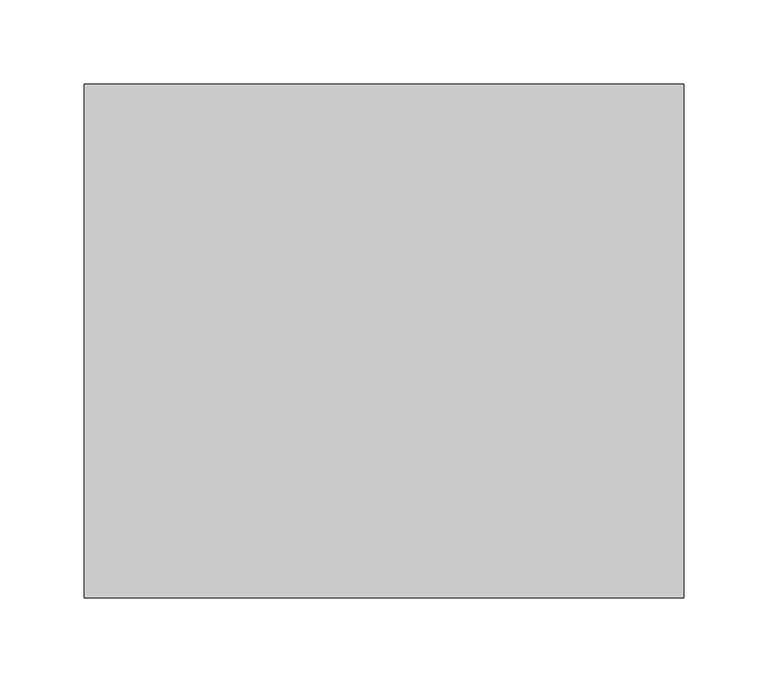
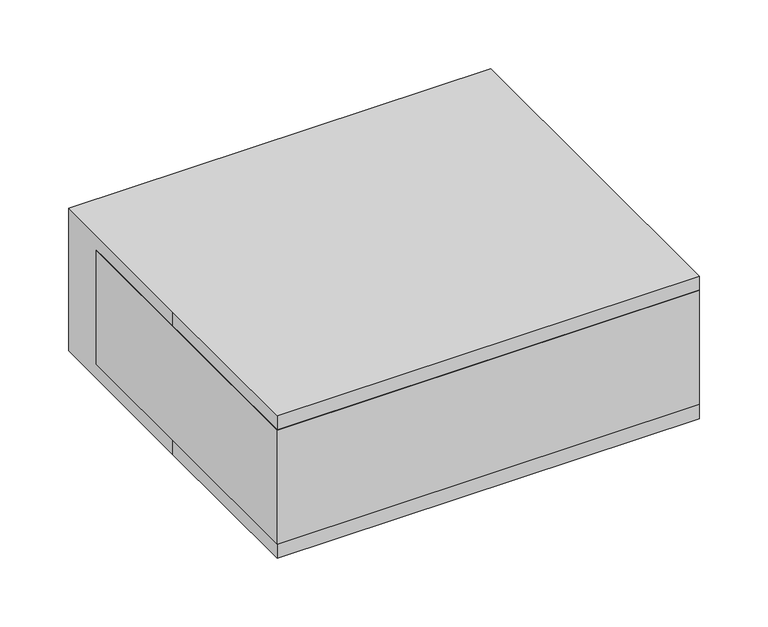
"""IFC4 building model written with IfcOpenShell, lengths in millimetres: proxy geometry."""

from ifc_helpers import new_model, si_unit, point, frame, frame_2d, origin, origin_with_axes, place, context, project, spatial, polyline, circle_curve, trimmed, segment, composite_curve, outline, extrude, source, transform, mapped, element, save


def specialty_equipment_1013e136(model_context):
    return source(origin(), model_context, "Body", "SweptSolid", [
        extrude(outline(polyline([(142.2096017, 124.4389004), (142.2096017, 111.7389004), (97.7596017, 111.7389004), (97.7596017, 124.4389004), (142.2096017, 124.4389004)])), frame((0.0, 0.0, 40.6305658), z_axis=(0.0, 0.0, 1.0), x_axis=(1.0, 0.0, 0.0)), (0.0, 0.0, 1.0), 25.4),
        extrude(outline(polyline([(66.0096017, 124.4389004), (66.0096017, 111.7389004), (21.5596017, 111.7389004), (21.5596017, 124.4389004), (66.0096017, 124.4389004)])), frame((0.0, 0.0, 40.6305658), z_axis=(0.0, 0.0, 1.0), x_axis=(1.0, 0.0, 0.0)), (0.0, 0.0, 1.0), 25.4),
        extrude(outline(polyline([(122.6611094, 124.4389004), (122.6611094, 111.7389004), (52.8111094, 111.7389004), (52.8111094, 124.4389004), (122.6611094, 124.4389004)])), frame((0.0, 0.0, 87.4668281), z_axis=(0.0, 0.0, 1.0), x_axis=(1.0, 0.0, 0.0)), (0.0, 0.0, 1.0), 12.7),
        extrude(outline(composite_curve([segment(trimmed(circle_curve(frame_2d((69.3961128, -46.7129229)), 6.35), [point((69.3961128, -53.0629229))], [point((69.3961128, -40.3629229))], False, "CARTESIAN"), True, "CONTINUOUS"), segment(trimmed(circle_curve(frame_2d((69.3961128, -46.7129229)), 6.35), [point((69.3961128, -40.3629229))], [point((69.3961128, -53.0629229))], False, "CARTESIAN"), True, "CONTINUOUS")], self_intersect=False)), frame((0.0, 111.7389004, 0.0), z_axis=(0.0, 1.0, 0.0), x_axis=(0.0, 0.0, 1.0)), (0.0, 0.0, 1.0), 12.7),
        extrude(outline(composite_curve([segment(trimmed(circle_curve(frame_2d((67.9537355, -104.8888066)), 19.05), [point((67.9537355, -123.9388066))], [point((67.9537355, -85.8388066))], False, "CARTESIAN"), True, "CONTINUOUS"), segment(trimmed(circle_curve(frame_2d((67.9537355, -104.8888066)), 19.05), [point((67.9537355, -85.8388066))], [point((67.9537355, -123.9388066))], False, "CARTESIAN"), True, "CONTINUOUS")], self_intersect=False)), frame((0.0, 111.7389004, 0.0), z_axis=(0.0, 1.0, 0.0), x_axis=(0.0, 0.0, 1.0)), (0.0, 0.0, 1.0), 25.4),
        extrude(outline(composite_curve([segment(trimmed(circle_curve(frame_2d((137.9995251, 74.3090998)), 12.7), [point((150.6995251, 74.3090998))], [point((125.2995251, 74.3090998))], False, "CARTESIAN"), True, "CONTINUOUS"), segment(trimmed(circle_curve(frame_2d((137.9995251, 74.3090998)), 12.7), [point((125.2995251, 74.3090998))], [point((150.6995251, 74.3090998))], False, "CARTESIAN"), True, "CONTINUOUS")], self_intersect=False)), origin_with_axes(), (0.0, 0.0, 1.0), 12.7),
        extrude(outline(composite_curve([segment(trimmed(circle_curve(frame_2d((137.9995251, -116.1909002)), 12.7), [point((150.6995251, -116.1909002))], [point((125.2995251, -116.1909002))], False, "CARTESIAN"), True, "CONTINUOUS"), segment(trimmed(circle_curve(frame_2d((137.9995251, -116.1909002)), 12.7), [point((125.2995251, -116.1909002))], [point((150.6995251, -116.1909002))], False, "CARTESIAN"), True, "CONTINUOUS")], self_intersect=False)), origin_with_axes(), (0.0, 0.0, 1.0), 12.7),
        extrude(outline(composite_curve([segment(trimmed(circle_curve(frame_2d((-137.9995251, 74.3090998)), 12.7), [point((-150.6995251, 74.3090998))], [point((-125.2995251, 74.3090998))], False, "CARTESIAN"), True, "CONTINUOUS"), segment(trimmed(circle_curve(frame_2d((-137.9995251, 74.3090998)), 12.7), [point((-125.2995251, 74.3090998))], [point((-150.6995251, 74.3090998))], False, "CARTESIAN"), True, "CONTINUOUS")], self_intersect=False)), origin_with_axes(), (0.0, 0.0, 1.0), 12.7),
        extrude(outline(polyline([(177.8, -152.4), (-177.8, -152.4), (-177.8, 111.7389004), (177.8, 111.7389004), (177.8, -152.4)])), frame((0.0, 0.0, 12.7), z_axis=(0.0, 0.0, 1.0), x_axis=(1.0, 0.0, 0.0)), (0.0, 0.0, 1.0), 101.6),
        extrude(outline(composite_curve([segment(trimmed(circle_curve(frame_2d((-137.9995251, -116.1909002)), 12.7), [point((-150.6995251, -116.1909002))], [point((-125.2995251, -116.1909002))], False, "CARTESIAN"), True, "CONTINUOUS"), segment(trimmed(circle_curve(frame_2d((-137.9995251, -116.1909002)), 12.7), [point((-125.2995251, -116.1909002))], [point((-150.6995251, -116.1909002))], False, "CARTESIAN"), True, "CONTINUOUS")], self_intersect=False)), origin_with_axes(), (0.0, 0.0, 1.0), 12.7),
        extrude(outline(polyline([(-177.8, -152.4), (-177.8, 0.0), (-177.8, 152.4), (177.8, 152.4), (177.8, -152.4), (-177.8, -152.4)])), origin_with_axes(), (0.0, 0.0, 1.0), 127.0),
    ])


if __name__ == "__main__":
    model = new_model("IFC4")
    model_context = context("Model", 3, world=origin())
    ifc_project = project(units=[si_unit("LENGTHUNIT", "METRE", prefix="MILLI")], contexts=[model_context])
    site = spatial("IfcSite", under=ifc_project)
    building = spatial("IfcBuilding", under=site)
    placement = place(None, origin())
    specialty_equipment_shape = specialty_equipment_1013e136(model_context)
    element("IfcBuildingElementProxy", 1, Name="Specialty Equipment", at=placement, inside=building, context=model_context, shape_type="MappedRepresentation", body=[
        mapped(specialty_equipment_shape, transform((0.0, 0.0, 0.0), x_axis=(1.0, 0.0, 0.0), y_axis=(0.0, 1.0, 0.0), z_axis=(0.0, 0.0, 1.0))),
    ])
    save(model, "model.ifc")
